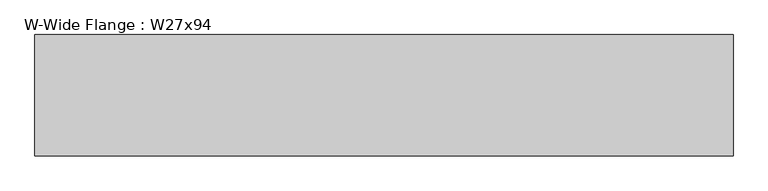
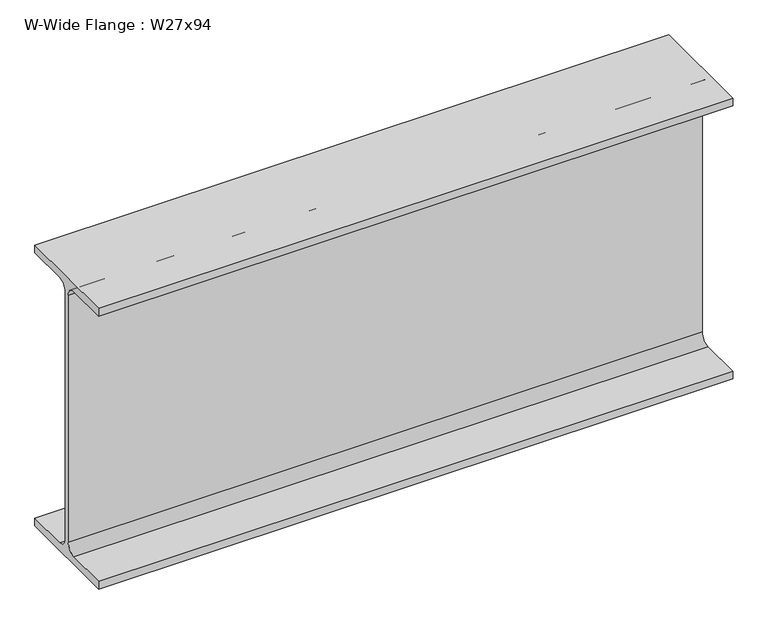
"""IFC4 building model written with IfcOpenShell, lengths in millimetres: beam geometry, W-Wide Flange : W27x94."""

import ifcopenshell
import ifcopenshell.guid

model = None  # the IFC model being written
_history = None  # IfcOwnerHistory: only IFC2X3 demands one
_inside = {}  # id of a spatial element -> (the spatial element, [elements in it])
_under = {}  # id of a project, library or spatial element -> (it, [spatial elements below it])
_declared = {}  # id of a project -> (the project, [libraries it declares])
_typed = {}  # id of a type object -> (the type object, [elements of that type])
_made_of = {}  # id of a material, layer set ... -> (it, [elements and type objects made of it])


def new_model(schema):
    """Start an empty IFC model of exactly this schema.

    Asked for "IFC4X3", IfcOpenShell would pick the latest addendum, in which some entities
    have other attributes; the version numbers below select the first issue.
    IFC2X3 requires an IfcOwnerHistory on every rooted entity: one is made here for all.
    """
    global model, _history
    if schema == "IFC4X3":
        model = ifcopenshell.file(schema_version=(4, 3, 0, 0))
    else:
        model = ifcopenshell.file(schema=schema)
    _inside.clear()
    _under.clear()
    _declared.clear()
    _typed.clear()
    _made_of.clear()
    _history = None
    if model.schema == "IFC2X3":
        org = make("IfcOrganization", Name="unknown")
        user = make(
            "IfcPersonAndOrganization",
            ThePerson=make("IfcPerson", FamilyName="unknown"),
            TheOrganization=org,
        )
        app = make(
            "IfcApplication",
            ApplicationDeveloper=org,
            Version="unknown",
            ApplicationFullName="unknown",
            ApplicationIdentifier="unknown",
        )
        _history = make(
            "IfcOwnerHistory",
            OwningUser=user,
            OwningApplication=app,
            ChangeAction="ADDED",
            CreationDate=0,
        )
    return model


def make(cls, **values):
    """One entity of the class cls with the attributes given. An attribute that is None is left unset."""
    return model.create_entity(
        cls, **{name: value for name, value in values.items() if value is not None}
    )


def rooted(cls, **values):
    """An entity with a GlobalId (a new one), such as an element, a storey or a relation."""
    return make(cls, GlobalId=ifcopenshell.guid.new(), OwnerHistory=_history, **values)


def si_unit(unit_type, name, prefix=None):
    """IfcSIUnit, for example si_unit("LENGTHUNIT", "METRE", prefix="MILLI")."""
    return make("IfcSIUnit", UnitType=unit_type, Prefix=prefix, Name=name)


def assignment(units):
    """IfcUnitAssignment: the units of a project."""
    return None if units is None else make("IfcUnitAssignment", Units=units)


def point(xyz):
    """IfcCartesianPoint."""
    return None if xyz is None else make("IfcCartesianPoint", Coordinates=xyz)


def direction(xyz):
    """IfcDirection."""
    return None if xyz is None else make("IfcDirection", DirectionRatios=xyz)


def frame(location, z_axis=None, x_axis=None):
    """IfcAxis2Placement3D, a coordinate frame: its origin and axes. An axis left out is left unset."""
    return make(
        "IfcAxis2Placement3D",
        Location=point(location),
        Axis=direction(z_axis),
        RefDirection=direction(x_axis),
    )


def frame_2d(location, x_axis=None):
    """IfcAxis2Placement2D, a coordinate frame in the plane: its origin and x axis."""
    return make(
        "IfcAxis2Placement2D", Location=point(location), RefDirection=direction(x_axis)
    )


def origin():
    """The frame at (0, 0, 0) with its axes left unset."""
    return frame((0.0, 0.0, 0.0))


def place(relative_to, where):
    """IfcLocalPlacement: puts the frame where relative to a parent placement (None: the world)."""
    return make(
        "IfcLocalPlacement", PlacementRelTo=relative_to, RelativePlacement=where
    )


def context(
    kind, dimensions, precision=None, world=None, true_north=None, identifier=None
):
    """IfcGeometricRepresentationContext, for example the 3D "Model" context."""
    return make(
        "IfcGeometricRepresentationContext",
        ContextIdentifier=identifier,
        ContextType=kind,
        CoordinateSpaceDimension=dimensions,
        Precision=precision,
        WorldCoordinateSystem=world,
        TrueNorth=true_north,
    )


def project(units=None, contexts=None):
    """IfcProject with its units and contexts."""
    return rooted(
        "IfcProject",
        Name="project",
        RepresentationContexts=contexts,
        UnitsInContext=assignment(units),
    )


def spatial(cls, under=None, at=None, **own):
    """A site, building, storey or space (cls), placed at a placement, below another one or the project."""
    s = rooted(cls, ObjectPlacement=at, **own)
    if under is not None:
        _under.setdefault(under.id(), (under, []))[1].append(s)
    return s


def polyline(points):
    """IfcPolyline through the points."""
    return make("IfcPolyline", Points=[point(p) for p in points])


def circle_curve(where, radius):
    """IfcCircle in the frame where."""
    return make("IfcCircle", Position=where, Radius=radius)


def trimmed(basis, trim1, trim2, sense, master):
    """IfcTrimmedCurve: the piece of a basis curve between two trims."""
    return make(
        "IfcTrimmedCurve",
        BasisCurve=basis,
        Trim1=trim1,
        Trim2=trim2,
        SenseAgreement=sense,
        MasterRepresentation=master,
    )


def segment(curve, same_sense, transition):
    """IfcCompositeCurveSegment."""
    return make(
        "IfcCompositeCurveSegment",
        Transition=transition,
        SameSense=same_sense,
        ParentCurve=curve,
    )


def composite_curve(segments, self_intersect=None):
    """IfcCompositeCurve: segments joined end to end."""
    return make("IfcCompositeCurve", Segments=segments, SelfIntersect=self_intersect)


def outline(outer, holes=None, kind="AREA"):
    """IfcArbitraryClosedProfileDef: a profile drawn as a closed curve; with holes, ...WithVoids."""
    if holes is None:
        return make("IfcArbitraryClosedProfileDef", ProfileType=kind, OuterCurve=outer)
    return make(
        "IfcArbitraryProfileDefWithVoids",
        ProfileType=kind,
        OuterCurve=outer,
        InnerCurves=holes,
    )


def extrude(swept, where, along, depth):
    """IfcExtrudedAreaSolid: the profile swept, set in the frame where, extruded along a direction by depth."""
    return make(
        "IfcExtrudedAreaSolid",
        SweptArea=swept,
        Position=where,
        ExtrudedDirection=direction(along),
        Depth=depth,
    )


def shape(context_of_items, identifier, shape_type, items):
    """IfcShapeRepresentation: the items that make up one representation, for example the "Body"."""
    return make(
        "IfcShapeRepresentation",
        ContextOfItems=context_of_items,
        RepresentationIdentifier=identifier,
        RepresentationType=shape_type,
        Items=items,
    )


def source(mapping_origin, context_of_items, identifier, shape_type, items):
    """IfcRepresentationMap: a shape defined once, which mapped items show again and again."""
    return make(
        "IfcRepresentationMap",
        MappingOrigin=mapping_origin,
        MappedRepresentation=shape(context_of_items, identifier, shape_type, items),
    )


def transform(
    local_origin,
    x_axis=None,
    y_axis=None,
    z_axis=None,
    scale=None,
    scale2=None,
    scale3=None,
    uniform=True,
):
    """IfcCartesianTransformationOperator3D, or its non-uniform kind. x_axis, y_axis, z_axis: its Axis1, 2, 3."""
    if uniform:
        return make(
            "IfcCartesianTransformationOperator3D",
            Axis1=direction(x_axis),
            Axis2=direction(y_axis),
            LocalOrigin=point(local_origin),
            Scale=scale,
            Axis3=direction(z_axis),
        )
    return make(
        "IfcCartesianTransformationOperator3DnonUniform",
        Axis1=direction(x_axis),
        Axis2=direction(y_axis),
        LocalOrigin=point(local_origin),
        Scale=scale,
        Axis3=direction(z_axis),
        Scale2=scale2,
        Scale3=scale3,
    )


def mapped(mapping_source, mapping_target):
    """IfcMappedItem: shows the shape of a source again, moved by a transform."""
    return make(
        "IfcMappedItem", MappingSource=mapping_source, MappingTarget=mapping_target
    )


def made_of(thing, what):
    """Note that an element or type object is made of a material, layer set ...; save() writes the relation."""
    if what is not None:
        _made_of.setdefault(what.id(), (what, []))[1].append(thing)
    return thing


def element(
    cls,
    number,
    at=None,
    inside=None,
    cuts=None,
    type_object=None,
    material=None,
    context=None,
    identifier="Body",
    shape_type=None,
    held_by="IfcProductDefinitionShape",
    body=None,
    shapes=None,
    **own,
):
    """One element of the class cls, such as IfcWall. Its Tag is "e" and its number.

    at: its placement. inside: the storey or other place that contains it. cuts: it is an
    opening in that element (IfcRelVoidsElement). A single representation is given by context,
    identifier, shape_type and body (its items); several are given by shapes. held_by: the class
    of the entity that holds the representations. save() writes the other relations.
    """
    e = rooted(cls, Tag="e%d" % number, ObjectPlacement=at, **own)
    if body is not None:
        shapes = [shape(context, identifier, shape_type, body)]
    if shapes is not None:
        e.Representation = make(held_by, Representations=shapes)
    if inside is not None:
        _inside.setdefault(inside.id(), (inside, []))[1].append(e)
    if cuts is not None:
        rooted(
            "IfcRelVoidsElement", RelatingBuildingElement=cuts, RelatedOpeningElement=e
        )
    if type_object is not None:
        _typed.setdefault(type_object.id(), (type_object, []))[1].append(e)
    return made_of(e, material)


def aggregate(whole, parts):
    """IfcRelAggregates: a whole, such as a stair, and the parts it consists of."""
    return rooted("IfcRelAggregates", RelatingObject=whole, RelatedObjects=parts)


def save(model, path):
    """Write the relations noted so far, then the file.

    IfcRelAggregates (storeys below a building ...), IfcRelContainedInSpatialStructure (elements
    in a storey), IfcRelDefinesByType, IfcRelAssociatesMaterial and IfcRelDeclares: one each for
    every whole, place, type object, material and project.
    """
    for whole, parts in _under.values():
        aggregate(whole, parts)
    for where, things in _inside.values():
        rooted(
            "IfcRelContainedInSpatialStructure",
            RelatedElements=things,
            RelatingStructure=where,
        )
    for kind, things in _typed.values():
        rooted("IfcRelDefinesByType", RelatedObjects=things, RelatingType=kind)
    for what, things in _made_of.values():
        rooted("IfcRelAssociatesMaterial", RelatedObjects=things, RelatingMaterial=what)
    for by, libraries in _declared.values():
        rooted("IfcRelDeclares", RelatingContext=by, RelatedDefinitions=libraries)
    model.write(path)


def w_wide_flange_w27x94_0fcc5d6b(model_context):
    return source(origin(), model_context, "Body", "SweptSolid", [
        extrude(outline(composite_curve([segment(polyline([(127.0, -322.707), (127.0, -341.63), (-127.0, -341.63), (-127.0, -322.707), (-28.575, -322.707)]), True, "CONTINUOUS"), segment(trimmed(circle_curve(frame_2d((-28.575, -300.355)), 22.352), [point((-28.575, -322.707))], [point((-6.223, -300.355))], True, "CARTESIAN"), True, "CONTINUOUS"), segment(polyline([(-6.223, -300.355), (-6.223, 300.355)]), True, "CONTINUOUS"), segment(trimmed(circle_curve(frame_2d((-28.575, 300.355)), 22.352), [point((-6.223, 300.355))], [point((-28.575, 322.707))], True, "CARTESIAN"), True, "CONTINUOUS"), segment(polyline([(-28.575, 322.707), (-127.0, 322.707), (-127.0, 341.63), (127.0, 341.63), (127.0, 322.707), (28.575, 322.707)]), True, "CONTINUOUS"), segment(trimmed(circle_curve(frame_2d((28.575, 300.355)), 22.352), [point((28.575, 322.707))], [point((6.223, 300.355))], True, "CARTESIAN"), True, "CONTINUOUS"), segment(polyline([(6.223, 300.355), (6.223, -300.355)]), True, "CONTINUOUS"), segment(trimmed(circle_curve(frame_2d((28.575, -300.355)), 22.352), [point((6.223, -300.355))], [point((28.575, -322.707))], True, "CARTESIAN"), True, "CONTINUOUS"), segment(polyline([(28.575, -322.707), (127.0, -322.707)]), True, "CONTINUOUS")], self_intersect=False)), frame((-591.057465, 0.0, 0.0), z_axis=(1.0, 0.0, 0.0), x_axis=(0.0, 1.0, 0.0)), (0.0, 0.0, 1.0), 1460.3849465),
    ])


if __name__ == "__main__":
    model = new_model("IFC4")
    model_context = context("Model", 3, world=origin())
    ifc_project = project(units=[si_unit("LENGTHUNIT", "METRE", prefix="MILLI")], contexts=[model_context])
    site = spatial("IfcSite", under=ifc_project)
    building = spatial("IfcBuilding", under=site)
    placement = place(None, origin())
    w_wide_flange_w27x94_shape = w_wide_flange_w27x94_0fcc5d6b(model_context)
    element("IfcBeam", 1, ObjectType="W-Wide Flange : W27x94", at=placement, inside=building, context=model_context, shape_type="MappedRepresentation", body=[
        mapped(w_wide_flange_w27x94_shape, transform((0.0, 0.0, 0.0), x_axis=(1.0, 0.0, 0.0), y_axis=(0.0, 1.0, 0.0), z_axis=(0.0, 0.0, 1.0))),
    ])
    save(model, "model.ifc")
